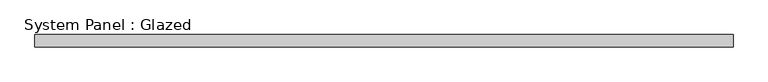
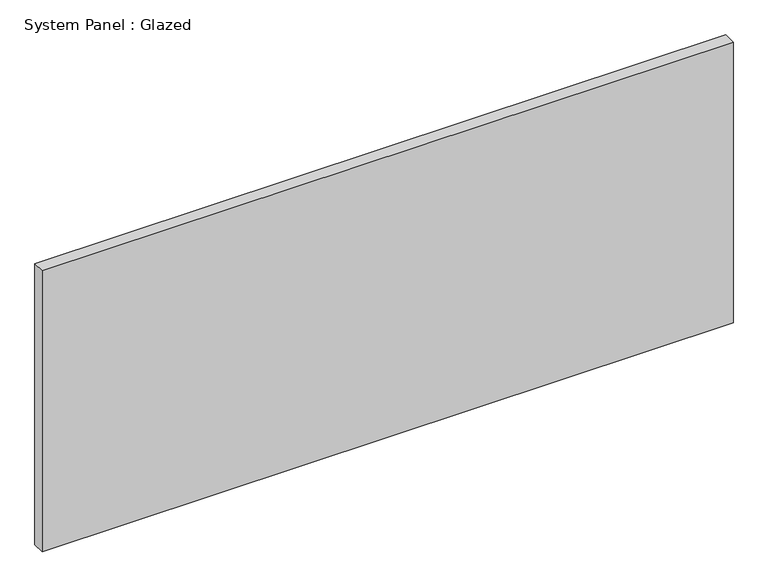
"""IFC4 building model written with IfcOpenShell, lengths in millimetres: plate geometry, System Panel : Glazed."""

from ifc_helpers import new_model, si_unit, origin, origin_with_axes, place, context, project, spatial, polyline, outline, extrude, source, transform, mapped, element, save


def system_panel_glazed_1e39a679(model_context):
    return source(origin(), model_context, "Body", "SweptSolid", [
        extrude(outline(polyline([(709.3763619, 19.05), (-709.3763619, 19.05), (-709.3763619, 44.45), (709.3763619, 44.45), (709.3763619, 19.05)])), origin_with_axes(), (0.0, 0.0, 1.0), 609.6),
    ])


if __name__ == "__main__":
    model = new_model("IFC4")
    model_context = context("Model", 3, world=origin())
    ifc_project = project(units=[si_unit("LENGTHUNIT", "METRE", prefix="MILLI")], contexts=[model_context])
    site = spatial("IfcSite", under=ifc_project)
    building = spatial("IfcBuilding", under=site)
    placement = place(None, origin())
    system_panel_glazed_shape = system_panel_glazed_1e39a679(model_context)
    element("IfcPlate", 1, ObjectType="System Panel : Glazed", at=placement, inside=building, context=model_context, shape_type="MappedRepresentation", body=[
        mapped(system_panel_glazed_shape, transform((0.0, 0.0, 0.0), x_axis=(1.0, 0.0, 0.0), y_axis=(0.0, 1.0, 0.0), z_axis=(0.0, 0.0, 1.0))),
    ])
    save(model, "model.ifc")
